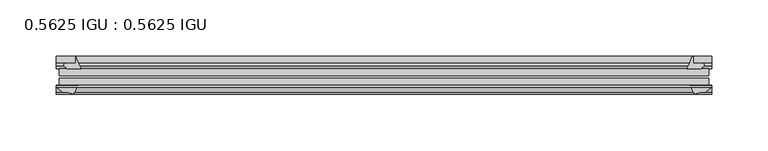
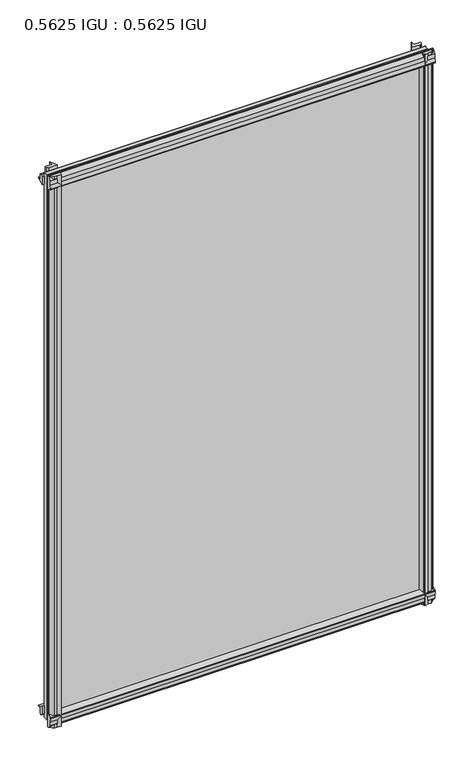
"""IFC4 building model written with IfcOpenShell, lengths in millimetres: plate geometry, 0.5625 IGU : 0.5625 IGU."""

from ifc_helpers import new_model, si_unit, point, frame, frame_2d, origin, place, context, project, spatial, polyline, circle_curve, trimmed, segment, composite_curve, outline, extrude, source, transform, mapped, element, save


def plate_0_5625_igu_0_5625_igu_de577b47(model_context):
    return source(origin(), model_context, "Body", "SweptSolid", [
        extrude(outline(composite_curve([segment(trimmed(circle_curve(frame_2d((-37.8345654, 15.3636795)), 15.5602222), [point((-35.093275, 0.0468313))], [point((-27.955875, 3.3415337))], True, "CARTESIAN"), True, "CONTINUOUS"), segment(polyline([(-27.955875, 3.3415337), (-27.955875, -17.9974199)]), True, "CONTINUOUS"), segment(trimmed(circle_curve(frame_2d((-28.971875, -17.9974199)), 1.016), [point((-27.955875, -17.9974199))], [point((-29.7387172, -18.6639099))], False, "CARTESIAN"), True, "CONTINUOUS"), segment(polyline([(-29.7387172, -18.6639099), (-34.305875, -13.4090837), (-34.305875, -7.4052024), (-35.880675, -1.5279687), (-34.305875, -1.5279687), (-34.305875, -0.7405687)]), True, "CONTINUOUS"), segment(trimmed(circle_curve(frame_2d((-35.093275, -0.7405687)), 0.7874), [point((-34.305875, -0.7405687))], [point((-35.093275, 0.0468313))], True, "CARTESIAN"), True, "CONTINUOUS")], self_intersect=False)), frame((-291.3122763, 0.0, 0.0), z_axis=(1.0, 0.0, 0.0), x_axis=(0.0, 1.0, 0.0)), (0.0, 0.0, 1.0), 582.6245525),
        extrude(outline(composite_curve([segment(trimmed(circle_curve(frame_2d((11.4445684, 45.0767023)), 47.0962123), [point((-13.096875, 4.8800511))], [point((-2.198896, 0.0))], True, "CARTESIAN"), True, "CONTINUOUS"), segment(polyline([(-2.198896, 0.0), (-8.321675, 0.0), (-8.321675, -9.0936065)]), True, "CONTINUOUS"), segment(trimmed(circle_curve(frame_2d((-9.9050751, -9.085239)), 1.5834222), [point((-8.321675, -9.0936065))], [point((-11.0877177, -10.1381313))], False, "CARTESIAN"), True, "CONTINUOUS"), segment(polyline([(-11.0877177, -10.1381313), (-13.096875, -7.8711888), (-13.096875, 4.8800511)]), True, "CONTINUOUS")], self_intersect=False)), frame((-291.3122763, 0.0, 0.0), z_axis=(1.0, 0.0, 0.0), x_axis=(0.0, 1.0, 0.0)), (0.0, 0.0, 1.0), 582.6245525),
        extrude(outline(composite_curve([segment(polyline([(-34.305875, 857.9590837), (-29.7387172, 863.2139099)]), True, "CONTINUOUS"), segment(trimmed(circle_curve(frame_2d((-28.971875, 862.5474199)), 1.016), [point((-29.7387172, 863.2139099))], [point((-27.955875, 862.5474199))], False, "CARTESIAN"), True, "CONTINUOUS"), segment(polyline([(-27.955875, 862.5474199), (-27.955875, 841.2084663)]), True, "CONTINUOUS"), segment(trimmed(circle_curve(frame_2d((-37.8345654, 829.1863205)), 15.5602222), [point((-27.955875, 841.2084663))], [point((-35.093275, 844.5031687))], True, "CARTESIAN"), True, "CONTINUOUS"), segment(trimmed(circle_curve(frame_2d((-35.093275, 845.2905687)), 0.7874), [point((-35.093275, 844.5031687))], [point((-34.305875, 845.2905688))], True, "CARTESIAN"), True, "CONTINUOUS"), segment(polyline([(-34.305875, 845.2905688), (-34.305875, 846.0779687), (-35.880675, 846.0779687), (-34.305875, 851.9552024), (-34.305875, 857.9590837)]), True, "CONTINUOUS")], self_intersect=False)), frame((-291.3122763, 0.0, 0.0), z_axis=(1.0, 0.0, 0.0), x_axis=(0.0, 1.0, 0.0)), (0.0, 0.0, 1.0), 582.6245525),
        extrude(outline(composite_curve([segment(trimmed(circle_curve(frame_2d((-9.9050751, 853.635239)), 1.5834222), [point((-11.0877177, 854.6881313))], [point((-8.321675, 853.6436065))], False, "CARTESIAN"), True, "CONTINUOUS"), segment(polyline([(-8.321675, 853.6436065), (-8.321675, 844.55), (-2.198896, 844.55)]), True, "CONTINUOUS"), segment(trimmed(circle_curve(frame_2d((11.4445684, 799.4732977)), 47.0962123), [point((-2.198896, 844.55))], [point((-13.096875, 839.6699489))], True, "CARTESIAN"), True, "CONTINUOUS"), segment(polyline([(-13.096875, 839.6699489), (-13.096875, 852.4211888), (-11.0877177, 854.6881313)]), True, "CONTINUOUS")], self_intersect=False)), frame((-291.3122763, 0.0, 0.0), z_axis=(1.0, 0.0, 0.0), x_axis=(0.0, 1.0, 0.0)), (0.0, 0.0, 1.0), 582.6245525),
        extrude(outline(composite_curve([segment(polyline([(274.6831561, -8.321675), (282.9524378, -8.321675)]), True, "CONTINUOUS"), segment(trimmed(circle_curve(frame_2d((282.9440703, -9.9050751)), 1.5834222), [point((282.9524378, -8.321675))], [point((283.9969626, -11.0877177))], False, "CARTESIAN"), True, "CONTINUOUS"), segment(polyline([(283.9969626, -11.0877177), (281.73002, -13.096875), (268.9787802, -13.096875)]), True, "CONTINUOUS"), segment(trimmed(circle_curve(frame_2d((228.7821289, 11.4445684)), 47.0962123), [point((268.9787802, -13.096875))], [point((273.812, -2.352675))], True, "CARTESIAN"), True, "CONTINUOUS"), segment(polyline([(273.812, -2.352675), (274.6831561, -2.5510821), (274.6831561, -8.321675)]), True, "CONTINUOUS")], self_intersect=False)), frame((0.0, 0.0, -19.0134199), z_axis=(0.0, 0.0, 1.0), x_axis=(1.0, 0.0, 0.0)), (0.0, 0.0, 1.0), 882.2273298),
        extrude(outline(composite_curve([segment(trimmed(circle_curve(frame_2d((290.2962763, -28.971875)), 1.016), [point((290.2962763, -27.955875))], [point((290.9627663, -29.7387172))], False, "CARTESIAN"), True, "CONTINUOUS"), segment(polyline([(290.9627663, -29.7387172), (285.7079401, -34.305875), (281.6958336, -34.305875), (275.8186, -35.880675), (275.8186, -34.305875), (274.7282443, -34.305875)]), True, "CONTINUOUS"), segment(trimmed(circle_curve(frame_2d((263.0922917, -36.1215237)), 11.7767556), [point((274.7282443, -34.305875))], [point((271.5784071, -27.955875))], True, "CARTESIAN"), True, "CONTINUOUS"), segment(polyline([(271.5784071, -27.955875), (290.2962763, -27.955875)]), True, "CONTINUOUS")], self_intersect=False)), frame((0.0, 0.0, -19.0134199), z_axis=(0.0, 0.0, 1.0), x_axis=(1.0, 0.0, 0.0)), (0.0, 0.0, 1.0), 882.2273298),
        extrude(outline(composite_curve([segment(trimmed(circle_curve(frame_2d((-228.7821289, 11.4445684)), 47.0962123), [point((-273.7622882, -2.5138875))], [point((-268.9787802, -13.096875))], True, "CARTESIAN"), True, "CONTINUOUS"), segment(polyline([(-268.9787802, -13.096875), (-281.73002, -13.096875), (-283.9969626, -11.0877177)]), True, "CONTINUOUS"), segment(trimmed(circle_curve(frame_2d((-282.9440703, -9.9050751)), 1.5834222), [point((-283.9969626, -11.0877177))], [point((-282.9524378, -8.321675))], False, "CARTESIAN"), True, "CONTINUOUS"), segment(polyline([(-282.9524378, -8.321675), (-273.7622882, -8.321675), (-273.7622882, -2.5138875)]), True, "CONTINUOUS")], self_intersect=False)), frame((0.0, 0.0, -19.0134199), z_axis=(0.0, 0.0, 1.0), x_axis=(1.0, 0.0, 0.0)), (0.0, 0.0, 1.0), 882.5768398),
        extrude(outline(composite_curve([segment(trimmed(circle_curve(frame_2d((-263.0922917, -36.1215237)), 11.7767556), [point((-271.5784071, -27.955875))], [point((-274.7282443, -34.305875))], True, "CARTESIAN"), True, "CONTINUOUS"), segment(polyline([(-274.7282443, -34.305875), (-275.8186, -34.305875), (-275.8186, -35.880675), (-281.6958336, -34.305875), (-285.7079401, -34.305875), (-290.9627663, -29.7387172)]), True, "CONTINUOUS"), segment(trimmed(circle_curve(frame_2d((-290.2962763, -28.971875)), 1.016), [point((-290.9627663, -29.7387172))], [point((-290.2962763, -27.955875))], False, "CARTESIAN"), True, "CONTINUOUS"), segment(polyline([(-290.2962763, -27.955875), (-271.5784071, -27.955875)]), True, "CONTINUOUS")], self_intersect=False)), frame((0.0, 0.0, -19.0134199), z_axis=(0.0, 0.0, 1.0), x_axis=(1.0, 0.0, 0.0)), (0.0, 0.0, 1.0), 882.5768398),
        extrude(outline(polyline([(-288.5313, -13.096875), (288.5313, -13.096875), (288.5313, -19.396075), (-288.5313, -19.396075), (-288.5313, -13.096875)])), frame((0.0, 0.0, -13.5929687), z_axis=(0.0, 0.0, 1.0), x_axis=(1.0, 0.0, 0.0)), (0.0, 0.0, 1.0), 871.7359375),
        extrude(outline(polyline([(288.5313, -21.656675), (288.5313, -27.955875), (-288.5313, -27.955875), (-288.5313, -21.656675), (288.5313, -21.656675)])), frame((0.0, 0.0, -13.5929687), z_axis=(0.0, 0.0, 1.0), x_axis=(1.0, 0.0, 0.0)), (0.0, 0.0, 1.0), 871.7359375),
    ])


if __name__ == "__main__":
    model = new_model("IFC4")
    model_context = context("Model", 3, world=origin())
    ifc_project = project(units=[si_unit("LENGTHUNIT", "METRE", prefix="MILLI")], contexts=[model_context])
    site = spatial("IfcSite", under=ifc_project)
    building = spatial("IfcBuilding", under=site)
    placement = place(None, origin())
    plate_0_5625_igu_0_5625_igu_shape = plate_0_5625_igu_0_5625_igu_de577b47(model_context)
    element("IfcPlate", 1, ObjectType="0.5625 IGU : 0.5625 IGU", at=placement, inside=building, context=model_context, shape_type="MappedRepresentation", body=[
        mapped(plate_0_5625_igu_0_5625_igu_shape, transform((0.0, 0.0, 0.0), x_axis=(1.0, 0.0, 0.0), y_axis=(0.0, 1.0, 0.0), z_axis=(0.0, 0.0, 1.0))),
    ])
    save(model, "model.ifc")
